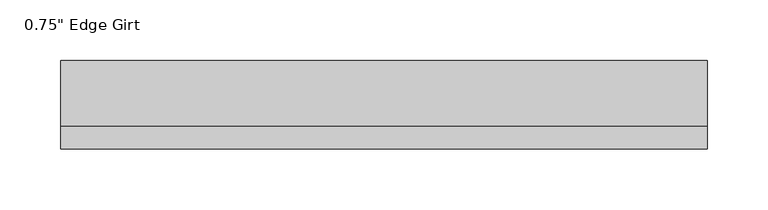
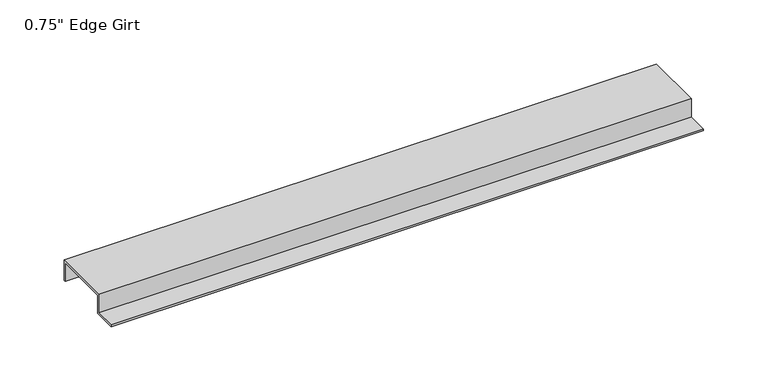
"""IFC4 building model written with IfcOpenShell, lengths in millimetres: proxy geometry."""

import ifcopenshell
import ifcopenshell.guid

model = None  # the IFC model being written
_history = None  # IfcOwnerHistory: only IFC2X3 demands one
_inside = {}  # id of a spatial element -> (the spatial element, [elements in it])
_under = {}  # id of a project, library or spatial element -> (it, [spatial elements below it])
_declared = {}  # id of a project -> (the project, [libraries it declares])
_typed = {}  # id of a type object -> (the type object, [elements of that type])
_made_of = {}  # id of a material, layer set ... -> (it, [elements and type objects made of it])


def new_model(schema):
    """Start an empty IFC model of exactly this schema.

    Asked for "IFC4X3", IfcOpenShell would pick the latest addendum, in which some entities
    have other attributes; the version numbers below select the first issue.
    IFC2X3 requires an IfcOwnerHistory on every rooted entity: one is made here for all.
    """
    global model, _history
    if schema == "IFC4X3":
        model = ifcopenshell.file(schema_version=(4, 3, 0, 0))
    else:
        model = ifcopenshell.file(schema=schema)
    _inside.clear()
    _under.clear()
    _declared.clear()
    _typed.clear()
    _made_of.clear()
    _history = None
    if model.schema == "IFC2X3":
        org = make("IfcOrganization", Name="unknown")
        user = make(
            "IfcPersonAndOrganization",
            ThePerson=make("IfcPerson", FamilyName="unknown"),
            TheOrganization=org,
        )
        app = make(
            "IfcApplication",
            ApplicationDeveloper=org,
            Version="unknown",
            ApplicationFullName="unknown",
            ApplicationIdentifier="unknown",
        )
        _history = make(
            "IfcOwnerHistory",
            OwningUser=user,
            OwningApplication=app,
            ChangeAction="ADDED",
            CreationDate=0,
        )
    return model


def make(cls, **values):
    """One entity of the class cls with the attributes given. An attribute that is None is left unset."""
    return model.create_entity(
        cls, **{name: value for name, value in values.items() if value is not None}
    )


def rooted(cls, **values):
    """An entity with a GlobalId (a new one), such as an element, a storey or a relation."""
    return make(cls, GlobalId=ifcopenshell.guid.new(), OwnerHistory=_history, **values)


def si_unit(unit_type, name, prefix=None):
    """IfcSIUnit, for example si_unit("LENGTHUNIT", "METRE", prefix="MILLI")."""
    return make("IfcSIUnit", UnitType=unit_type, Prefix=prefix, Name=name)


def assignment(units):
    """IfcUnitAssignment: the units of a project."""
    return None if units is None else make("IfcUnitAssignment", Units=units)


def point(xyz):
    """IfcCartesianPoint."""
    return None if xyz is None else make("IfcCartesianPoint", Coordinates=xyz)


def direction(xyz):
    """IfcDirection."""
    return None if xyz is None else make("IfcDirection", DirectionRatios=xyz)


def frame(location, z_axis=None, x_axis=None):
    """IfcAxis2Placement3D, a coordinate frame: its origin and axes. An axis left out is left unset."""
    return make(
        "IfcAxis2Placement3D",
        Location=point(location),
        Axis=direction(z_axis),
        RefDirection=direction(x_axis),
    )


def origin():
    """The frame at (0, 0, 0) with its axes left unset."""
    return frame((0.0, 0.0, 0.0))


def place(relative_to, where):
    """IfcLocalPlacement: puts the frame where relative to a parent placement (None: the world)."""
    return make(
        "IfcLocalPlacement", PlacementRelTo=relative_to, RelativePlacement=where
    )


def context(
    kind, dimensions, precision=None, world=None, true_north=None, identifier=None
):
    """IfcGeometricRepresentationContext, for example the 3D "Model" context."""
    return make(
        "IfcGeometricRepresentationContext",
        ContextIdentifier=identifier,
        ContextType=kind,
        CoordinateSpaceDimension=dimensions,
        Precision=precision,
        WorldCoordinateSystem=world,
        TrueNorth=true_north,
    )


def project(units=None, contexts=None):
    """IfcProject with its units and contexts."""
    return rooted(
        "IfcProject",
        Name="project",
        RepresentationContexts=contexts,
        UnitsInContext=assignment(units),
    )


def spatial(cls, under=None, at=None, **own):
    """A site, building, storey or space (cls), placed at a placement, below another one or the project."""
    s = rooted(cls, ObjectPlacement=at, **own)
    if under is not None:
        _under.setdefault(under.id(), (under, []))[1].append(s)
    return s


def polyline(points):
    """IfcPolyline through the points."""
    return make("IfcPolyline", Points=[point(p) for p in points])


def outline(outer, holes=None, kind="AREA"):
    """IfcArbitraryClosedProfileDef: a profile drawn as a closed curve; with holes, ...WithVoids."""
    if holes is None:
        return make("IfcArbitraryClosedProfileDef", ProfileType=kind, OuterCurve=outer)
    return make(
        "IfcArbitraryProfileDefWithVoids",
        ProfileType=kind,
        OuterCurve=outer,
        InnerCurves=holes,
    )


def extrude(swept, where, along, depth):
    """IfcExtrudedAreaSolid: the profile swept, set in the frame where, extruded along a direction by depth."""
    return make(
        "IfcExtrudedAreaSolid",
        SweptArea=swept,
        Position=where,
        ExtrudedDirection=direction(along),
        Depth=depth,
    )


def shape(context_of_items, identifier, shape_type, items):
    """IfcShapeRepresentation: the items that make up one representation, for example the "Body"."""
    return make(
        "IfcShapeRepresentation",
        ContextOfItems=context_of_items,
        RepresentationIdentifier=identifier,
        RepresentationType=shape_type,
        Items=items,
    )


def source(mapping_origin, context_of_items, identifier, shape_type, items):
    """IfcRepresentationMap: a shape defined once, which mapped items show again and again."""
    return make(
        "IfcRepresentationMap",
        MappingOrigin=mapping_origin,
        MappedRepresentation=shape(context_of_items, identifier, shape_type, items),
    )


def transform(
    local_origin,
    x_axis=None,
    y_axis=None,
    z_axis=None,
    scale=None,
    scale2=None,
    scale3=None,
    uniform=True,
):
    """IfcCartesianTransformationOperator3D, or its non-uniform kind. x_axis, y_axis, z_axis: its Axis1, 2, 3."""
    if uniform:
        return make(
            "IfcCartesianTransformationOperator3D",
            Axis1=direction(x_axis),
            Axis2=direction(y_axis),
            LocalOrigin=point(local_origin),
            Scale=scale,
            Axis3=direction(z_axis),
        )
    return make(
        "IfcCartesianTransformationOperator3DnonUniform",
        Axis1=direction(x_axis),
        Axis2=direction(y_axis),
        LocalOrigin=point(local_origin),
        Scale=scale,
        Axis3=direction(z_axis),
        Scale2=scale2,
        Scale3=scale3,
    )


def mapped(mapping_source, mapping_target):
    """IfcMappedItem: shows the shape of a source again, moved by a transform."""
    return make(
        "IfcMappedItem", MappingSource=mapping_source, MappingTarget=mapping_target
    )


def made_of(thing, what):
    """Note that an element or type object is made of a material, layer set ...; save() writes the relation."""
    if what is not None:
        _made_of.setdefault(what.id(), (what, []))[1].append(thing)
    return thing


def element(
    cls,
    number,
    at=None,
    inside=None,
    cuts=None,
    type_object=None,
    material=None,
    context=None,
    identifier="Body",
    shape_type=None,
    held_by="IfcProductDefinitionShape",
    body=None,
    shapes=None,
    **own,
):
    """One element of the class cls, such as IfcWall. Its Tag is "e" and its number.

    at: its placement. inside: the storey or other place that contains it. cuts: it is an
    opening in that element (IfcRelVoidsElement). A single representation is given by context,
    identifier, shape_type and body (its items); several are given by shapes. held_by: the class
    of the entity that holds the representations. save() writes the other relations.
    """
    e = rooted(cls, Tag="e%d" % number, ObjectPlacement=at, **own)
    if body is not None:
        shapes = [shape(context, identifier, shape_type, body)]
    if shapes is not None:
        e.Representation = make(held_by, Representations=shapes)
    if inside is not None:
        _inside.setdefault(inside.id(), (inside, []))[1].append(e)
    if cuts is not None:
        rooted(
            "IfcRelVoidsElement", RelatingBuildingElement=cuts, RelatedOpeningElement=e
        )
    if type_object is not None:
        _typed.setdefault(type_object.id(), (type_object, []))[1].append(e)
    return made_of(e, material)


def aggregate(whole, parts):
    """IfcRelAggregates: a whole, such as a stair, and the parts it consists of."""
    return rooted("IfcRelAggregates", RelatingObject=whole, RelatedObjects=parts)


def save(model, path):
    """Write the relations noted so far, then the file.

    IfcRelAggregates (storeys below a building ...), IfcRelContainedInSpatialStructure (elements
    in a storey), IfcRelDefinesByType, IfcRelAssociatesMaterial and IfcRelDeclares: one each for
    every whole, place, type object, material and project.
    """
    for whole, parts in _under.values():
        aggregate(whole, parts)
    for where, things in _inside.values():
        rooted(
            "IfcRelContainedInSpatialStructure",
            RelatedElements=things,
            RelatingStructure=where,
        )
    for kind, things in _typed.values():
        rooted("IfcRelDefinesByType", RelatedObjects=things, RelatingType=kind)
    for what, things in _made_of.values():
        rooted("IfcRelAssociatesMaterial", RelatedObjects=things, RelatingMaterial=what)
    for by, libraries in _declared.values():
        rooted("IfcRelDeclares", RelatingContext=by, RelatedDefinitions=libraries)
    model.write(path)


def proxy_03e234e1(model_context):
    return source(origin(), model_context, "Body", "SweptSolid", [
        extrude(outline(polyline([(-46.0559645, -17.4375), (-46.0559645, -15.8242), (-27.0129, -15.8242), (-27.0129, 1.6129), (27.0129, 1.6129), (27.0129, -17.4375), (25.4, -17.4375), (25.4, 0.0), (-25.4, 0.0), (-25.4, -17.4375), (-46.0559645, -17.4375)])), frame((0.0, 0.0, 0.0), z_axis=(1.0, 0.0, 0.0), x_axis=(0.0, 1.0, 0.0)), (0.0, 0.0, 1.0), 532.733959),
    ])


if __name__ == "__main__":
    model = new_model("IFC4")
    model_context = context("Model", 3, world=origin())
    ifc_project = project(units=[si_unit("LENGTHUNIT", "METRE", prefix="MILLI")], contexts=[model_context])
    site = spatial("IfcSite", under=ifc_project)
    building = spatial("IfcBuilding", under=site)
    placement = place(None, origin())
    proxy_shape = proxy_03e234e1(model_context)
    element("IfcBuildingElementProxy", 1, Name="0.75\" Edge Girt", ObjectType="0.75\" Edge Girt", at=placement, inside=building, context=model_context, shape_type="MappedRepresentation", body=[
        mapped(proxy_shape, transform((0.0, 0.0, 0.0), x_axis=(1.0, 0.0, 0.0), y_axis=(0.0, 1.0, 0.0), z_axis=(0.0, 0.0, 1.0))),
    ])
    save(model, "model.ifc")
